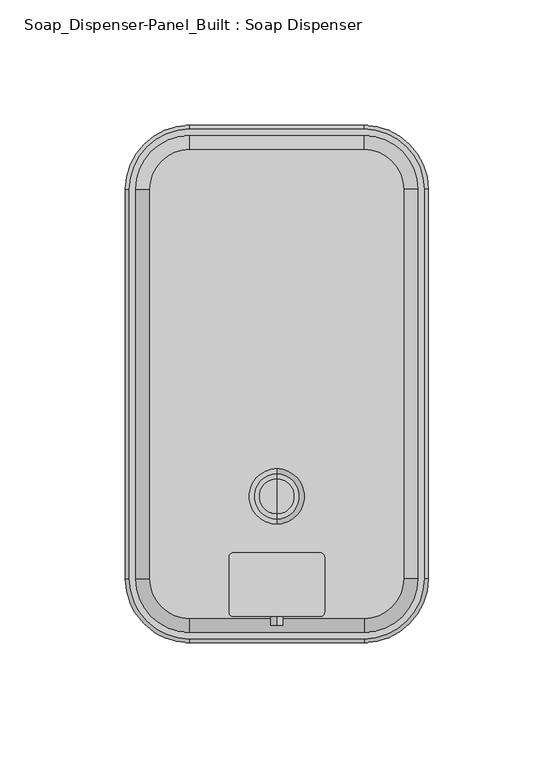
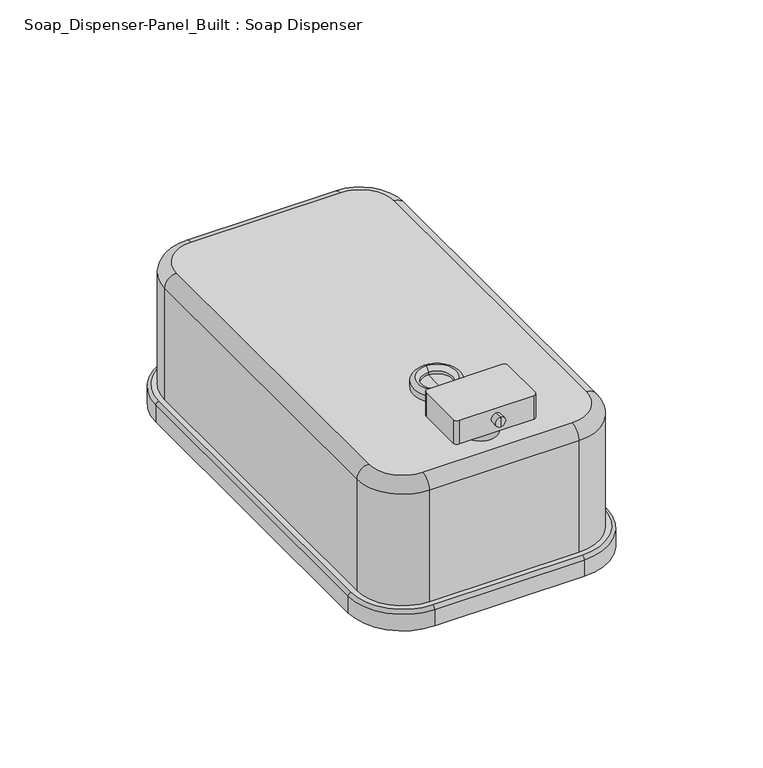
"""IFC4 building model written with IfcOpenShell, lengths in millimetres: proxy geometry, Soap_Dispenser-Panel_Built : Soap Dispenser."""

from ifc_helpers import new_model, si_unit, point, frame, frame_2d, origin, place, context, project, spatial, polyline, circle_curve, ellipse_curve, trimmed, segment, composite_curve, outline, extrude, source, transform, mapped, element, save
from ifc_brep_helpers import plane_surface, cylinder_surface, revolved_surface, advanced_brep


def soap_dispenser_panel_built_soap_dispenser_d77d7ff4(model_context):
    return source(origin(), model_context, "Body", "SolidModel", [
        advanced_brep(
        [(-60.4754509, 77.6440967, 8.0747906), (-34.8568222, 103.2627255, 8.0747906), (-34.8568222, 103.2627255, 0.0), (-60.4754509, 77.6440967, 0.0), (-59.0208328, 77.6440967, 9.5294087), (-34.8568222, 101.8081073, 9.5294087), (-56.35625, 77.6440967, 64.3342642), (-34.8568222, 99.1435245, 64.3342642), (-34.8568222, 99.1435245, 9.5294087), (-56.35625, 77.6440967, 9.5294087), (-50.8405142, 77.6440967, 69.85), (-34.8568222, 93.6277887, 69.85), (-60.4754509, -77.6440967, 0.0), (-60.4754509, -77.6440967, 8.0747906), (-59.0208328, -77.6440967, 9.5294087), (-56.35625, -77.6440967, 9.5294087), (-56.35625, -77.6440967, 64.3342642), (-50.8405142, -77.6440967, 69.85), (-34.8568222, -103.2627255, 0.0), (-34.8568222, -103.2627255, 8.0747906), (-34.8568222, -101.8081073, 9.5294087), (-34.8568222, -99.1435245, 9.5294087), (-34.8568222, -99.1435245, 64.3342642), (-34.8568222, -93.6277887, 69.85), (34.8568222, -103.2627255, 0.0), (34.8568222, -103.2627255, 8.0747906), (34.8568222, -101.8081073, 9.5294087), (34.8568222, -99.1435245, 9.5294087), (34.8568222, -99.1435245, 64.3342642), (34.8568222, -93.6277887, 69.85), (60.4754509, -77.6440967, 0.0), (60.4754509, -77.6440967, 8.0747906), (59.0208328, -77.6440967, 9.5294087), (56.35625, -77.6440967, 9.5294087), (56.35625, -77.6440967, 64.3342642), (50.8405142, -77.6440967, 69.85), (60.4754509, 77.6440967, 0.0), (60.4754509, 77.6440967, 8.0747906), (59.0208328, 77.6440967, 9.5294087), (56.35625, 77.6440967, 9.5294087), (56.35625, 77.6440967, 64.3342642), (50.8405142, 77.6440967, 69.85), (34.8568222, 103.2627255, 0.0), (34.8568222, 103.2627255, 8.0747906), (34.8568222, 101.8081073, 9.5294087), (34.8568222, 99.1435245, 9.5294087), (34.8568222, 99.1435245, 64.3342642), (34.8568222, 93.6277887, 69.85)],
        [
            (0, 1, circle_curve(frame((-34.8568222, 77.6440967, 8.0747906), z_axis=(0.0, 0.0, -1.0), x_axis=(0.0, 1.0, 0.0)), 25.6186288)),
            (1, 2),
            (2, 3, circle_curve(frame((-34.8568222, 77.6440967, 0.0), z_axis=(0.0, 0.0, 1.0), x_axis=(0.0, 1.0, 0.0)), 25.6186288)),
            (3, 0),
            (0, 4, circle_curve(frame((-59.0208328, 77.6440967, 8.0747906), z_axis=(0.0, 1.0, 0.0), x_axis=(0.0, 0.0, -1.0)), 1.4546182)),
            (4, 5, circle_curve(frame((-34.8568222, 77.6440967, 9.5294087), z_axis=(0.0, 0.0, -1.0), x_axis=(0.0, 1.0, 0.0)), 24.1640106)),
            (5, 1, circle_curve(frame((-34.8568222, 101.8081073, 8.0747906), z_axis=(-1.0, 0.0, 0.0), x_axis=(0.0, 0.0, -1.0)), 1.4546182)),
            (6, 7, circle_curve(frame((-34.8568222, 77.6440967, 64.3342642), z_axis=(0.0, 0.0, -1.0), x_axis=(0.0, 1.0, 0.0)), 21.4994278)),
            (7, 8),
            (8, 9, circle_curve(frame((-34.8568222, 77.6440967, 9.5294087), z_axis=(0.0, 0.0, 1.0), x_axis=(0.0, 1.0, 0.0)), 21.4994278)),
            (9, 6),
            (6, 10, circle_curve(frame((-50.8405142, 77.6440967, 64.3342642), z_axis=(0.0, 1.0, 0.0), x_axis=(0.0, 0.0, -1.0)), 5.5157358)),
            (10, 11, circle_curve(frame((-34.8568222, 77.6440967, 69.85), z_axis=(0.0, 0.0, -1.0), x_axis=(0.0, 1.0, 0.0)), 15.983692)),
            (11, 7, circle_curve(frame((-34.8568222, 93.6277887, 64.3342642), z_axis=(-1.0, 0.0, 0.0), x_axis=(0.0, 0.0, -1.0)), 5.5157358)),
            (3, 12),
            (12, 13),
            (13, 0),
            (13, 14, circle_curve(frame((-59.0208328, -77.6440967, 8.0747906), z_axis=(0.0, 1.0, 0.0), x_axis=(0.0, 0.0, -1.0)), 1.4546182)),
            (14, 4),
            (9, 15),
            (15, 16),
            (16, 6),
            (16, 17, circle_curve(frame((-50.8405142, -77.6440967, 64.3342642), z_axis=(0.0, 1.0, 0.0), x_axis=(0.0, 0.0, -1.0)), 5.5157358)),
            (17, 10),
            (12, 18, circle_curve(frame((-34.8568222, -77.6440967, 0.0), z_axis=(0.0, 0.0, 1.0), x_axis=(-1.0, 0.0, 0.0)), 25.6186288)),
            (18, 19),
            (19, 13, circle_curve(frame((-34.8568222, -77.6440967, 8.0747906), z_axis=(0.0, 0.0, -1.0), x_axis=(-1.0, 0.0, 0.0)), 25.6186288)),
            (19, 20, circle_curve(frame((-34.8568222, -101.8081073, 8.0747906), z_axis=(-1.0, 0.0, 0.0), x_axis=(0.0, 0.0, -1.0)), 1.4546182)),
            (20, 14, circle_curve(frame((-34.8568222, -77.6440967, 9.5294087), z_axis=(0.0, 0.0, -1.0), x_axis=(-1.0, 0.0, 0.0)), 24.1640106)),
            (15, 21, circle_curve(frame((-34.8568222, -77.6440967, 9.5294087), z_axis=(0.0, 0.0, 1.0), x_axis=(-1.0, 0.0, 0.0)), 21.4994278)),
            (21, 22),
            (22, 16, circle_curve(frame((-34.8568222, -77.6440967, 64.3342642), z_axis=(0.0, 0.0, -1.0), x_axis=(-1.0, 0.0, 0.0)), 21.4994278)),
            (22, 23, circle_curve(frame((-34.8568222, -93.6277887, 64.3342642), z_axis=(-1.0, 0.0, 0.0), x_axis=(0.0, 0.0, -1.0)), 5.5157358)),
            (23, 17, circle_curve(frame((-34.8568222, -77.6440967, 69.85), z_axis=(0.0, 0.0, -1.0), x_axis=(-1.0, 0.0, 0.0)), 15.983692)),
            (18, 24),
            (24, 25),
            (25, 19),
            (25, 26, circle_curve(frame((34.8568222, -101.8081073, 8.0747906), z_axis=(-1.0, 0.0, 0.0), x_axis=(0.0, 0.0, -1.0)), 1.4546182)),
            (26, 20),
            (21, 27),
            (27, 28),
            (28, 22),
            (28, 29, circle_curve(frame((34.8568222, -93.6277887, 64.3342642), z_axis=(-1.0, 0.0, 0.0), x_axis=(0.0, 0.0, -1.0)), 5.5157358)),
            (29, 23),
            (24, 30, circle_curve(frame((34.8568222, -77.6440967, 0.0), z_axis=(0.0, 0.0, 1.0), x_axis=(0.0, -1.0, 0.0)), 25.6186288)),
            (30, 31),
            (31, 25, circle_curve(frame((34.8568222, -77.6440967, 8.0747906), z_axis=(0.0, 0.0, -1.0), x_axis=(0.0, -1.0, 0.0)), 25.6186288)),
            (31, 32, circle_curve(frame((59.0208328, -77.6440967, 8.0747906), z_axis=(0.0, -1.0, 0.0), x_axis=(0.0, 0.0, -1.0)), 1.4546182)),
            (32, 26, circle_curve(frame((34.8568222, -77.6440967, 9.5294087), z_axis=(0.0, 0.0, -1.0), x_axis=(0.0, -1.0, 0.0)), 24.1640106)),
            (27, 33, circle_curve(frame((34.8568222, -77.6440967, 9.5294087), z_axis=(0.0, 0.0, 1.0), x_axis=(0.0, -1.0, 0.0)), 21.4994278)),
            (33, 34),
            (34, 28, circle_curve(frame((34.8568222, -77.6440967, 64.3342642), z_axis=(0.0, 0.0, -1.0), x_axis=(0.0, -1.0, 0.0)), 21.4994278)),
            (34, 35, circle_curve(frame((50.8405142, -77.6440967, 64.3342642), z_axis=(0.0, -1.0, 0.0), x_axis=(0.0, 0.0, -1.0)), 5.5157358)),
            (35, 29, circle_curve(frame((34.8568222, -77.6440967, 69.85), z_axis=(0.0, 0.0, -1.0), x_axis=(0.0, -1.0, 0.0)), 15.983692)),
            (30, 36),
            (36, 37),
            (37, 31),
            (37, 38, circle_curve(frame((59.0208328, 77.6440967, 8.0747906), z_axis=(0.0, -1.0, 0.0), x_axis=(0.0, 0.0, -1.0)), 1.4546182)),
            (38, 32),
            (33, 39),
            (39, 40),
            (40, 34),
            (40, 41, circle_curve(frame((50.8405142, 77.6440967, 64.3342642), z_axis=(0.0, -1.0, 0.0), x_axis=(0.0, 0.0, -1.0)), 5.5157358)),
            (41, 35),
            (36, 42, circle_curve(frame((34.8568222, 77.6440967, 0.0), z_axis=(0.0, 0.0, 1.0), x_axis=(1.0, 0.0, 0.0)), 25.6186288)),
            (42, 43),
            (43, 37, circle_curve(frame((34.8568222, 77.6440967, 8.0747906), z_axis=(0.0, 0.0, -1.0), x_axis=(1.0, 0.0, 0.0)), 25.6186288)),
            (43, 44, circle_curve(frame((34.8568222, 101.8081073, 8.0747906), z_axis=(1.0, 0.0, 0.0), x_axis=(0.0, 0.0, -1.0)), 1.4546182)),
            (44, 38, circle_curve(frame((34.8568222, 77.6440967, 9.5294087), z_axis=(0.0, 0.0, -1.0), x_axis=(1.0, 0.0, 0.0)), 24.1640106)),
            (39, 45, circle_curve(frame((34.8568222, 77.6440967, 9.5294087), z_axis=(0.0, 0.0, 1.0), x_axis=(1.0, 0.0, 0.0)), 21.4994278)),
            (45, 46),
            (46, 40, circle_curve(frame((34.8568222, 77.6440967, 64.3342642), z_axis=(0.0, 0.0, -1.0), x_axis=(1.0, 0.0, 0.0)), 21.4994278)),
            (46, 47, circle_curve(frame((34.8568222, 93.6277887, 64.3342642), z_axis=(1.0, 0.0, 0.0), x_axis=(0.0, 0.0, -1.0)), 5.5157358)),
            (47, 41, circle_curve(frame((34.8568222, 77.6440967, 69.85), z_axis=(0.0, 0.0, -1.0), x_axis=(1.0, 0.0, 0.0)), 15.983692)),
            (2, 42),
            (1, 43),
            (5, 44),
            (8, 45),
            (7, 46),
            (11, 47),
        ],
        [
            cylinder_surface(frame((-34.8568222, 77.6440967, 0.0), z_axis=(0.0, 0.0, 1.0), x_axis=(0.0, 1.0, 0.0)), 25.6186288),
            revolved_surface(trimmed(ellipse_curve(frame((-34.8568222, 101.8081073, 8.0747906), z_axis=(1.0, 0.0, 0.0), x_axis=(0.0, 0.0, -1.0)), 1.4546182, 1.4546182), [point((-34.8568222, 103.2627255, 8.0747906))], [point((-34.8568222, 101.8081073, 9.5294087))], True, "CARTESIAN"), (-34.8568222, 77.6440967, 0.0), (0.0, 0.0, 1.0)),
            cylinder_surface(frame((-34.8568222, 77.6440967, 0.0), z_axis=(0.0, 0.0, 1.0), x_axis=(0.0, 1.0, 0.0)), 21.4994278),
            revolved_surface(trimmed(ellipse_curve(frame((-34.8568222, 93.6277887, 64.3342642), z_axis=(1.0, 0.0, 0.0), x_axis=(0.0, 0.0, -1.0)), 5.5157358, 5.5157358), [point((-34.8568222, 99.1435245, 64.3342642))], [point((-34.8568222, 93.6277887, 69.85))], True, "CARTESIAN"), (-34.8568222, 77.6440967, 0.0), (0.0, 0.0, 1.0)),
            plane_surface(frame((-60.4754509, 77.6440967, 0.0), z_axis=(-1.0, 0.0, 0.0), x_axis=(0.0, -1.0, 0.0))),
            cylinder_surface(frame((-59.0208328, 77.6440967, 8.0747906), z_axis=(0.0, 1.0, 0.0), x_axis=(0.0, 0.0, -1.0)), 1.4546182),
            plane_surface(frame((-56.35625, 77.6440967, 9.5294087), z_axis=(-1.0, 0.0, 0.0), x_axis=(0.0, -1.0, 0.0))),
            cylinder_surface(frame((-50.8405142, 77.6440967, 64.3342642), z_axis=(0.0, 1.0, 0.0), x_axis=(0.0, 0.0, -1.0)), 5.5157358),
            cylinder_surface(frame((-34.8568222, -77.6440967, 0.0), z_axis=(0.0, 0.0, 1.0), x_axis=(-1.0, 0.0, 0.0)), 25.6186288),
            revolved_surface(trimmed(ellipse_curve(frame((-59.0208328, -77.6440967, 8.0747906), z_axis=(0.0, 1.0, 0.0), x_axis=(0.0, 0.0, -1.0)), 1.4546182, 1.4546182), [point((-60.4754509, -77.6440967, 8.0747906))], [point((-59.0208328, -77.6440967, 9.5294087))], True, "CARTESIAN"), (-34.8568222, -77.6440967, 0.0), (0.0, 0.0, 1.0)),
            cylinder_surface(frame((-34.8568222, -77.6440967, 0.0), z_axis=(0.0, 0.0, 1.0), x_axis=(-1.0, 0.0, 0.0)), 21.4994278),
            revolved_surface(trimmed(ellipse_curve(frame((-50.8405142, -77.6440967, 64.3342642), z_axis=(0.0, 1.0, 0.0), x_axis=(0.0, 0.0, -1.0)), 5.5157358, 5.5157358), [point((-56.35625, -77.6440967, 64.3342642))], [point((-50.8405142, -77.6440967, 69.85))], True, "CARTESIAN"), (-34.8568222, -77.6440967, 0.0), (0.0, 0.0, 1.0)),
            plane_surface(frame((-34.8568222, -103.2627255, 0.0), z_axis=(0.0, -1.0, 0.0), x_axis=(1.0, 0.0, 0.0))),
            cylinder_surface(frame((-34.8568222, -101.8081073, 8.0747906), z_axis=(-1.0, 0.0, 0.0), x_axis=(0.0, 0.0, -1.0)), 1.4546182),
            plane_surface(frame((-34.8568222, -99.1435245, 9.5294087), z_axis=(0.0, -1.0, 0.0), x_axis=(1.0, 0.0, 0.0))),
            cylinder_surface(frame((-34.8568222, -93.6277887, 64.3342642), z_axis=(-1.0, 0.0, 0.0), x_axis=(0.0, 0.0, -1.0)), 5.5157358),
            cylinder_surface(frame((34.8568222, -77.6440967, 0.0), z_axis=(0.0, 0.0, 1.0), x_axis=(0.0, -1.0, 0.0)), 25.6186288),
            revolved_surface(trimmed(ellipse_curve(frame((34.8568222, -101.8081073, 8.0747906), z_axis=(-1.0, 0.0, 0.0), x_axis=(0.0, 0.0, -1.0)), 1.4546182, 1.4546182), [point((34.8568222, -103.2627255, 8.0747906))], [point((34.8568222, -101.8081073, 9.5294087))], True, "CARTESIAN"), (34.8568222, -77.6440967, 0.0), (0.0, 0.0, 1.0)),
            cylinder_surface(frame((34.8568222, -77.6440967, 0.0), z_axis=(0.0, 0.0, 1.0), x_axis=(0.0, -1.0, 0.0)), 21.4994278),
            revolved_surface(trimmed(ellipse_curve(frame((34.8568222, -93.6277887, 64.3342642), z_axis=(-1.0, 0.0, 0.0), x_axis=(0.0, 0.0, -1.0)), 5.5157358, 5.5157358), [point((34.8568222, -99.1435245, 64.3342642))], [point((34.8568222, -93.6277887, 69.85))], True, "CARTESIAN"), (34.8568222, -77.6440967, 0.0), (0.0, 0.0, 1.0)),
            plane_surface(frame((60.4754509, -77.6440967, 0.0), z_axis=(1.0, 0.0, 0.0), x_axis=(0.0, 1.0, 0.0))),
            cylinder_surface(frame((59.0208328, -77.6440967, 8.0747906), z_axis=(0.0, -1.0, 0.0), x_axis=(0.0, 0.0, -1.0)), 1.4546182),
            plane_surface(frame((56.35625, -77.6440967, 9.5294087), z_axis=(1.0, 0.0, 0.0), x_axis=(0.0, 1.0, 0.0))),
            cylinder_surface(frame((50.8405142, -77.6440967, 64.3342642), z_axis=(0.0, -1.0, 0.0), x_axis=(0.0, 0.0, -1.0)), 5.5157358),
            cylinder_surface(frame((34.8568222, 77.6440967, 0.0), z_axis=(0.0, 0.0, 1.0), x_axis=(1.0, 0.0, 0.0)), 25.6186288),
            revolved_surface(trimmed(ellipse_curve(frame((59.0208328, 77.6440967, 8.0747906), z_axis=(0.0, -1.0, 0.0), x_axis=(0.0, 0.0, -1.0)), 1.4546182, 1.4546182), [point((60.4754509, 77.6440967, 8.0747906))], [point((59.0208328, 77.6440967, 9.5294087))], True, "CARTESIAN"), (34.8568222, 77.6440967, 0.0), (0.0, 0.0, 1.0)),
            cylinder_surface(frame((34.8568222, 77.6440967, 0.0), z_axis=(0.0, 0.0, 1.0), x_axis=(1.0, 0.0, 0.0)), 21.4994278),
            revolved_surface(trimmed(ellipse_curve(frame((50.8405142, 77.6440967, 64.3342642), z_axis=(0.0, -1.0, 0.0), x_axis=(0.0, 0.0, -1.0)), 5.5157358, 5.5157358), [point((56.35625, 77.6440967, 64.3342642))], [point((50.8405142, 77.6440967, 69.85))], True, "CARTESIAN"), (34.8568222, 77.6440967, 0.0), (0.0, 0.0, 1.0)),
            plane_surface(frame((34.8568222, 92.7935245, 0.0), z_axis=(0.0, 0.0, -1.0), x_axis=(-1.0, 0.0, 0.0))),
            plane_surface(frame((34.8568222, 103.2627255, 0.0), z_axis=(0.0, 1.0, 0.0), x_axis=(-1.0, 0.0, 0.0))),
            cylinder_surface(frame((34.8568222, 101.8081073, 8.0747906), z_axis=(1.0, 0.0, 0.0), x_axis=(0.0, 0.0, -1.0)), 1.4546182),
            plane_surface(frame((34.8568222, 101.8081073, 9.5294087), z_axis=(0.0, 0.0, 1.0), x_axis=(-1.0, 0.0, 0.0))),
            plane_surface(frame((34.8568222, 99.1435245, 9.5294087), z_axis=(0.0, 1.0, 0.0), x_axis=(-1.0, 0.0, 0.0))),
            cylinder_surface(frame((34.8568222, 93.6277887, 64.3342642), z_axis=(1.0, 0.0, 0.0), x_axis=(0.0, 0.0, -1.0)), 5.5157358),
            plane_surface(frame((34.8568222, 93.6277887, 69.85), z_axis=(0.0, 0.0, 1.0), x_axis=(-1.0, 0.0, 0.0))),
        ],
        [
            (0, [[1, 2, 3, 4]]),
            (1, [[-1, 5, 6, 7]]),
            (2, [[8, 9, 10, 11]]),
            (3, [[-8, 12, 13, 14]]),
            (4, [[-4, 15, 16, 17]]),
            (5, [[-5, -17, 18, 19]]),
            (6, [[-11, 20, 21, 22]]),
            (7, [[-12, -22, 23, 24]]),
            (8, [[-16, 25, 26, 27]]),
            (9, [[-18, -27, 28, 29]]),
            (10, [[-21, 30, 31, 32]]),
            (11, [[-23, -32, 33, 34]]),
            (12, [[-26, 35, 36, 37]]),
            (13, [[-28, -37, 38, 39]]),
            (14, [[-31, 40, 41, 42]]),
            (15, [[-33, -42, 43, 44]]),
            (16, [[-36, 45, 46, 47]]),
            (17, [[-38, -47, 48, 49]]),
            (18, [[-41, 50, 51, 52]]),
            (19, [[-43, -52, 53, 54]]),
            (20, [[-46, 55, 56, 57]]),
            (21, [[-48, -57, 58, 59]]),
            (22, [[-51, 60, 61, 62]]),
            (23, [[-53, -62, 63, 64]]),
            (24, [[-56, 65, 66, 67]]),
            (25, [[-58, -67, 68, 69]]),
            (26, [[-61, 70, 71, 72]]),
            (27, [[-63, -72, 73, 74]]),
            (28, [[-3, 75, -65, -55, -45, -35, -25, -15]]),
            (29, [[-2, 76, -66, -75]]),
            (30, [[-7, 77, -68, -76]]),
            (31, [[-6, -19, -29, -39, -49, -59, -69, -77], [-10, 78, -70, -60, -50, -40, -30, -20]]),
            (32, [[-9, 79, -71, -78]]),
            (33, [[-14, 80, -73, -79]]),
            (34, [[-13, -24, -34, -44, -54, -64, -74, -80]]),
        ],
    ),
        advanced_brep(
        [(0.0, -55.8434918, 69.85), (0.0, -33.882277, 69.85), (0.0, -44.8628844, 69.85), (0.0, -55.8434918, 73.1358056), (0.0, -33.882277, 73.1358056), (0.0, -53.8990092, 75.0802882), (0.0, -35.8267596, 75.0802882), (0.0, -51.9545267, 73.1358056), (0.0, -37.7712421, 73.1358056), (0.0, -51.9545267, 71.8717211), (0.0, -37.7712421, 71.8717211), (0.0, -44.8628844, 71.8717211)],
        [
            (0, 1, circle_curve(frame((0.0, -44.8628844, 69.85), z_axis=(0.0, 0.0, -1.0), x_axis=(0.0, 1.0, 0.0)), 10.9806074)),
            (1, 2),
            (2, 0),
            (1, 0, circle_curve(frame((0.0, -44.8628844, 69.85), z_axis=(0.0, 0.0, -1.0), x_axis=(0.0, 1.0, 0.0)), 10.9806074)),
            (3, 4, circle_curve(frame((0.0, -44.8628844, 73.1358056), z_axis=(0.0, 0.0, -1.0), x_axis=(0.0, 1.0, 0.0)), 10.9806074)),
            (4, 1),
            (0, 3),
            (4, 3, circle_curve(frame((0.0, -44.8628844, 73.1358056), z_axis=(0.0, 0.0, -1.0), x_axis=(0.0, 1.0, 0.0)), 10.9806074)),
            (5, 6, circle_curve(frame((0.0, -44.8628844, 75.0802882), z_axis=(0.0, 0.0, -1.0), x_axis=(0.0, 1.0, 0.0)), 9.0361248)),
            (6, 4, circle_curve(frame((0.0, -35.8267596, 73.1358056), z_axis=(-1.0, 0.0, 0.0), x_axis=(0.0, 0.0, -1.0)), 1.9444826)),
            (3, 5, circle_curve(frame((0.0, -53.8990092, 73.1358056), z_axis=(-1.0, 0.0, 0.0), x_axis=(0.0, 0.0, -1.0)), 1.9444826)),
            (6, 5, circle_curve(frame((0.0, -44.8628844, 75.0802882), z_axis=(0.0, 0.0, -1.0), x_axis=(0.0, 1.0, 0.0)), 9.0361248)),
            (7, 8, circle_curve(frame((0.0, -44.8628844, 73.1358056), z_axis=(0.0, 0.0, -1.0), x_axis=(0.0, 1.0, 0.0)), 7.0916423)),
            (8, 6, circle_curve(frame((0.0, -35.8267596, 73.1358056), z_axis=(-1.0, 0.0, 0.0), x_axis=(0.0, 0.0, -1.0)), 1.9444826)),
            (5, 7, circle_curve(frame((0.0, -53.8990092, 73.1358056), z_axis=(-1.0, 0.0, 0.0), x_axis=(0.0, 0.0, -1.0)), 1.9444826)),
            (8, 7, circle_curve(frame((0.0, -44.8628844, 73.1358056), z_axis=(0.0, 0.0, -1.0), x_axis=(0.0, 1.0, 0.0)), 7.0916423)),
            (9, 10, circle_curve(frame((0.0, -44.8628844, 71.8717211), z_axis=(0.0, 0.0, -1.0), x_axis=(0.0, 1.0, 0.0)), 7.0916423)),
            (10, 8),
            (7, 9),
            (10, 9, circle_curve(frame((0.0, -44.8628844, 71.8717211), z_axis=(0.0, 0.0, -1.0), x_axis=(0.0, 1.0, 0.0)), 7.0916423)),
            (11, 10),
            (9, 11),
        ],
        [
            plane_surface(frame((0.0, -44.8628844, 69.85), z_axis=(0.0, 0.0, -1.0), x_axis=(0.0, 1.0, 0.0))),
            cylinder_surface(frame((0.0, -44.8628844, 69.85), z_axis=(0.0, 0.0, 1.0), x_axis=(0.0, 1.0, 0.0)), 10.9806074),
            revolved_surface(trimmed(ellipse_curve(frame((0.0, -35.8267596, 73.1358056), z_axis=(1.0, 0.0, 0.0), x_axis=(0.0, 0.0, -1.0)), 1.9444826, 1.9444826), [point((0.0, -33.882277, 73.1358056))], [point((0.0, -35.8267596, 75.0802882))], True, "CARTESIAN"), (0.0, -44.8628844, 69.85), (0.0, 0.0, 1.0)),
            revolved_surface(trimmed(ellipse_curve(frame((0.0, -35.8267596, 73.1358056), z_axis=(1.0, 0.0, 0.0), x_axis=(0.0, 0.0, -1.0)), 1.9444826, 1.9444826), [point((0.0, -35.8267596, 75.0802882))], [point((0.0, -37.7712421, 73.1358056))], True, "CARTESIAN"), (0.0, -44.8628844, 69.85), (0.0, 0.0, 1.0)),
            revolved_surface(polyline([(0.0, -37.771242099999995, 73.1358056), (0.0, -37.771242099999995, 71.8717211)]), (0.0, -44.8628844, 69.85), (0.0, 0.0, 1.0)),
            plane_surface(frame((0.0, -44.8628844, 71.8717211), z_axis=(0.0, 0.0, 1.0), x_axis=(0.0, 1.0, 0.0))),
        ],
        [
            (0, [[1, 2, 3]]),
            (0, [[4, -3, -2]]),
            (1, [[5, 6, -1, 7]]),
            (1, [[8, -7, -4, -6]]),
            (2, [[9, 10, -5, 11]]),
            (2, [[12, -11, -8, -10]]),
            (3, [[13, 14, -9, 15]]),
            (3, [[16, -15, -12, -14]]),
            (4, [[17, 18, -13, 19]]),
            (4, [[20, -19, -16, -18]]),
            (5, [[21, -17, 22]]),
            (5, [[-22, -20, -21]]),
        ],
    ),
        advanced_brep(
        [(0.0, -96.2409339, 86.413398), (0.0, -96.2409339, 81.7047495), (0.0, -96.2409339, 84.0590738), (0.0, -92.7935245, 86.413398), (0.0, -92.7935245, 81.7047495), (0.0, -92.7935245, 84.0590738)],
        [
            (0, 1, circle_curve(frame((0.0, -96.2409339, 84.0590738), z_axis=(0.0, -1.0, 0.0), x_axis=(0.0, 0.0, -1.0)), 2.3543242)),
            (1, 2),
            (2, 0),
            (1, 0, circle_curve(frame((0.0, -96.2409339, 84.0590738), z_axis=(0.0, -1.0, 0.0), x_axis=(0.0, 0.0, -1.0)), 2.3543242)),
            (3, 4, circle_curve(frame((0.0, -92.7935245, 84.0590738), z_axis=(0.0, -1.0, 0.0), x_axis=(0.0, 0.0, -1.0)), 2.3543242)),
            (4, 1),
            (0, 3),
            (4, 3, circle_curve(frame((0.0, -92.7935245, 84.0590738), z_axis=(0.0, -1.0, 0.0), x_axis=(0.0, 0.0, -1.0)), 2.3543242)),
            (5, 4),
            (3, 5),
        ],
        [
            plane_surface(frame((0.0, -96.2409339, 84.0590738), z_axis=(0.0, -1.0, 0.0), x_axis=(0.0, 0.0, -1.0))),
            cylinder_surface(frame((0.0, -92.7935245, 84.0590738), z_axis=(0.0, 1.0, 0.0), x_axis=(0.0, 0.0, -1.0)), 2.3543242),
            plane_surface(frame((0.0, -92.7935245, 84.0590738), z_axis=(0.0, 1.0, 0.0), x_axis=(0.0, 0.0, -1.0))),
        ],
        [
            (0, [[1, 2, 3]]),
            (0, [[4, -3, -2]]),
            (1, [[5, 6, -1, 7]]),
            (1, [[8, -7, -4, -6]]),
            (2, [[9, -5, 10]]),
            (2, [[-10, -8, -9]]),
        ],
    ),
        extrude(outline(composite_curve([segment(trimmed(circle_curve(frame_2d((0.0, -80.0935245)), 7.6230384), [point((-7.6230384, -80.0935245))], [point((7.6230384, -80.0935245))], False, "CARTESIAN"), True, "CONTINUOUS"), segment(trimmed(circle_curve(frame_2d((0.0, -80.0935245)), 7.6230384), [point((7.6230384, -80.0935245))], [point((-7.6230384, -80.0935245))], False, "CARTESIAN"), True, "CONTINUOUS")], self_intersect=False)), frame((0.0, 0.0, 69.85), z_axis=(0.0, 0.0, 1.0), x_axis=(1.0, 0.0, 0.0)), (0.0, 0.0, 1.0), 7.3899615),
        extrude(outline(composite_curve([segment(trimmed(circle_curve(frame_2d((17.3502943, -69.0932303)), 1.6997057), [point((17.3502943, -67.3935245))], [point((19.05, -69.0932303))], False, "CARTESIAN"), True, "CONTINUOUS"), segment(polyline([(19.05, -69.0932303), (19.05, -91.0938188)]), True, "CONTINUOUS"), segment(trimmed(circle_curve(frame_2d((17.3502943, -91.0938188)), 1.6997057), [point((19.05, -91.0938188))], [point((17.3502943, -92.7935245))], False, "CARTESIAN"), True, "CONTINUOUS"), segment(polyline([(17.3502943, -92.7935245), (-17.3502943, -92.7935245)]), True, "CONTINUOUS"), segment(trimmed(circle_curve(frame_2d((-17.3502943, -91.0938188)), 1.6997057), [point((-17.3502943, -92.7935245))], [point((-19.05, -91.0938188))], False, "CARTESIAN"), True, "CONTINUOUS"), segment(polyline([(-19.05, -91.0938188), (-19.05, -69.0932303)]), True, "CONTINUOUS"), segment(trimmed(circle_curve(frame_2d((-17.3502943, -69.0932303)), 1.6997057), [point((-19.05, -69.0932303))], [point((-17.3502943, -67.3935245))], False, "CARTESIAN"), True, "CONTINUOUS"), segment(polyline([(-17.3502943, -67.3935245), (17.3502943, -67.3935245)]), True, "CONTINUOUS")], self_intersect=False)), frame((0.0, 0.0, 77.2399615), z_axis=(0.0, 0.0, 1.0), x_axis=(1.0, 0.0, 0.0)), (0.0, 0.0, 1.0), 11.6600385),
    ])


if __name__ == "__main__":
    model = new_model("IFC4")
    model_context = context("Model", 3, world=origin())
    ifc_project = project(units=[si_unit("LENGTHUNIT", "METRE", prefix="MILLI")], contexts=[model_context])
    site = spatial("IfcSite", under=ifc_project)
    building = spatial("IfcBuilding", under=site)
    placement = place(None, origin())
    soap_dispenser_panel_built_soap_dispenser_shape = soap_dispenser_panel_built_soap_dispenser_d77d7ff4(model_context)
    element("IfcBuildingElementProxy", 1, Name="Soap_Dispenser-Panel_Built : Soap Dispenser", ObjectType="Soap_Dispenser-Panel_Built : Soap Dispenser", at=placement, inside=building, context=model_context, shape_type="MappedRepresentation", body=[
        mapped(soap_dispenser_panel_built_soap_dispenser_shape, transform((0.0, 0.0, 0.0), x_axis=(1.0, 0.0, 0.0), y_axis=(0.0, 1.0, 0.0), z_axis=(0.0, 0.0, 1.0))),
    ])
    save(model, "model.ifc")
